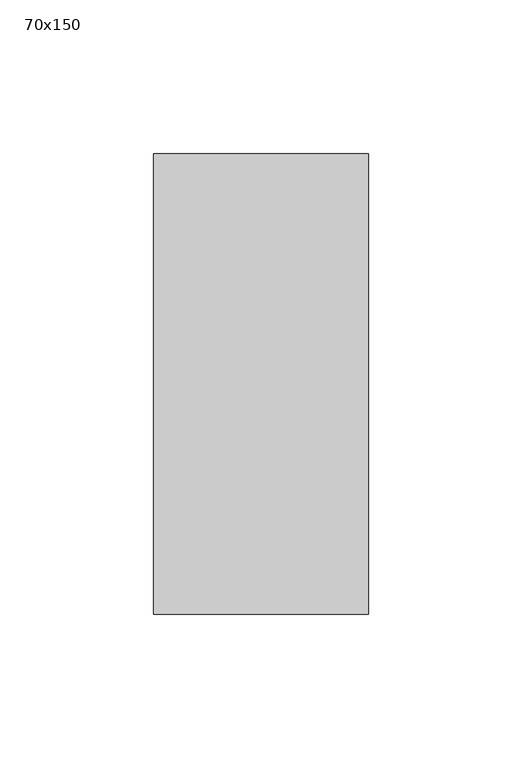
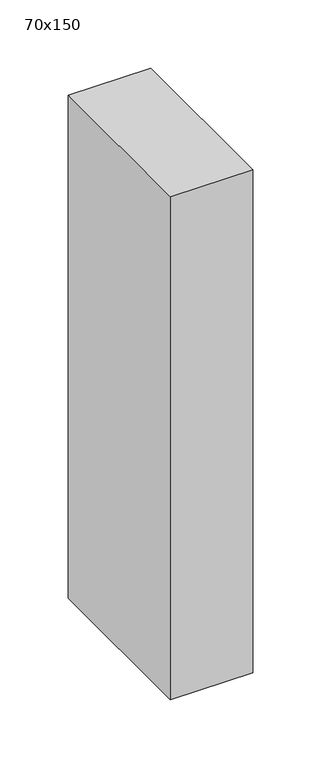
"""IFC4 building model written with IfcOpenShell, lengths in millimetres: member geometry, 70x150."""

from ifc_helpers import new_model, si_unit, frame, origin, place, context, project, spatial, polyline, outline, extrude, source, transform, mapped, element, save


def member_70x150_98b0aed0(model_context):
    return source(origin(), model_context, "Body", "SweptSolid", [
        extrude(outline(polyline([(0.0, 75.0), (0.0, -75.0), (-70.0, -75.0), (-70.0, 75.0), (0.0, 75.0)])), frame((0.0, 0.0, -451.131963), z_axis=(0.0, 0.0, 1.0), x_axis=(1.0, 0.0, 0.0)), (0.0, 0.0, 1.0), 451.131963),
    ])


if __name__ == "__main__":
    model = new_model("IFC4")
    model_context = context("Model", 3, world=origin())
    ifc_project = project(units=[si_unit("LENGTHUNIT", "METRE", prefix="MILLI")], contexts=[model_context])
    site = spatial("IfcSite", under=ifc_project)
    building = spatial("IfcBuilding", under=site)
    placement = place(None, origin())
    member_70x150_shape = member_70x150_98b0aed0(model_context)
    element("IfcMember", 1, ObjectType="70x150", at=placement, inside=building, context=model_context, shape_type="MappedRepresentation", body=[
        mapped(member_70x150_shape, transform((0.0, 0.0, 0.0), x_axis=(1.0, 0.0, 0.0), y_axis=(0.0, 1.0, 0.0), z_axis=(0.0, 0.0, 1.0))),
    ])
    save(model, "model.ifc")
